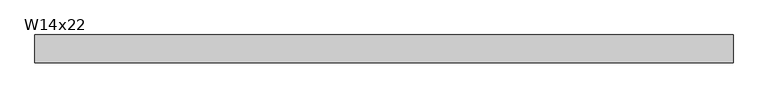
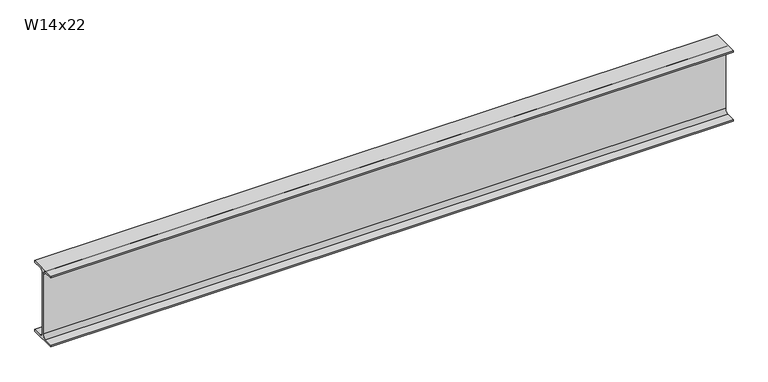
"""IFC4 building model written with IfcOpenShell, lengths in millimetres: beam geometry, W14x22."""

from ifc_helpers import new_model, si_unit, point, frame, frame_2d, origin, place, context, project, spatial, polyline, circle_curve, trimmed, segment, composite_curve, outline, extrude, source, transform, mapped, element, save


def w14x22_378e2c2a(model_context):
    return source(origin(), model_context, "Body", "SweptSolid", [
        extrude(outline(composite_curve([segment(polyline([(63.5, -165.481), (63.5, -173.99), (-63.5, -173.99), (-63.5, -165.481), (-21.3995, -165.481)]), True, "CONTINUOUS"), segment(trimmed(circle_curve(frame_2d((-21.3995, -147.0025)), 18.4785), [point((-21.3995, -165.481))], [point((-2.921, -147.0025))], True, "CARTESIAN"), True, "CONTINUOUS"), segment(polyline([(-2.921, -147.0025), (-2.921, 147.0025)]), True, "CONTINUOUS"), segment(trimmed(circle_curve(frame_2d((-21.3995, 147.0025)), 18.4785), [point((-2.921, 147.0025))], [point((-21.3995, 165.481))], True, "CARTESIAN"), True, "CONTINUOUS"), segment(polyline([(-21.3995, 165.481), (-63.5, 165.481), (-63.5, 173.99), (63.5, 173.99), (63.5, 165.481), (21.3995, 165.481)]), True, "CONTINUOUS"), segment(trimmed(circle_curve(frame_2d((21.3995, 147.0025)), 18.4785), [point((21.3995, 165.481))], [point((2.921, 147.0025))], True, "CARTESIAN"), True, "CONTINUOUS"), segment(polyline([(2.921, 147.0025), (2.921, -147.0025)]), True, "CONTINUOUS"), segment(trimmed(circle_curve(frame_2d((21.3995, -147.0025)), 18.4785), [point((2.921, -147.0025))], [point((21.3995, -165.481))], True, "CARTESIAN"), True, "CONTINUOUS"), segment(polyline([(21.3995, -165.481), (63.5, -165.481)]), True, "CONTINUOUS")], self_intersect=False)), frame((-1585.1517753, 0.0, 0.0), z_axis=(1.0, 0.0, 0.0), x_axis=(0.0, 1.0, 0.0)), (0.0, 0.0, 1.0), 3175.8267753),
    ])


if __name__ == "__main__":
    model = new_model("IFC4")
    model_context = context("Model", 3, world=origin())
    ifc_project = project(units=[si_unit("LENGTHUNIT", "METRE", prefix="MILLI")], contexts=[model_context])
    site = spatial("IfcSite", under=ifc_project)
    building = spatial("IfcBuilding", under=site)
    placement = place(None, origin())
    w14x22_shape = w14x22_378e2c2a(model_context)
    element("IfcBeam", 1, ObjectType="W14x22", at=placement, inside=building, context=model_context, shape_type="MappedRepresentation", body=[
        mapped(w14x22_shape, transform((0.0, 0.0, 0.0), x_axis=(1.0, 0.0, 0.0), y_axis=(0.0, 1.0, 0.0), z_axis=(0.0, 0.0, 1.0))),
    ])
    save(model, "model.ifc")
